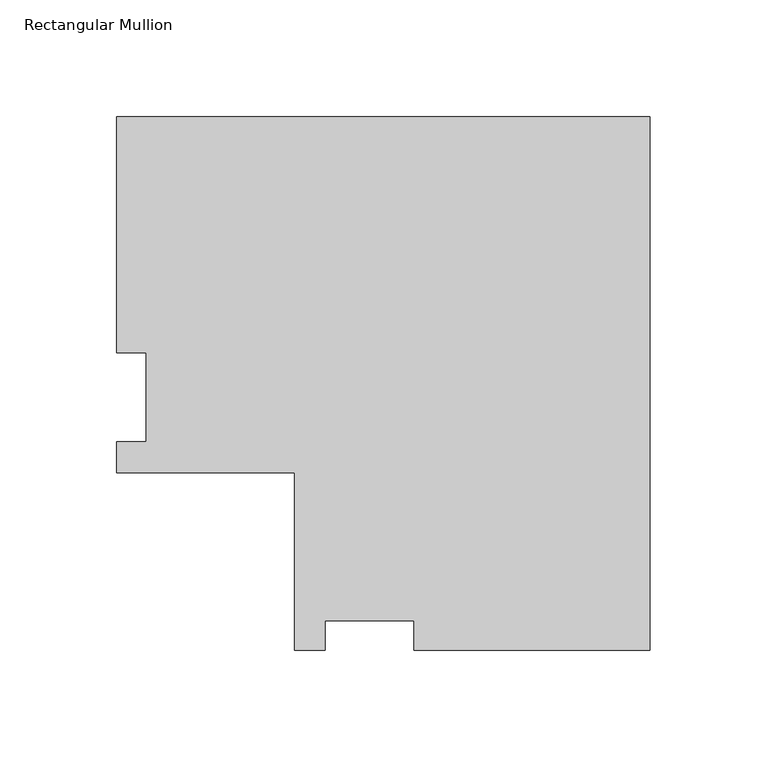
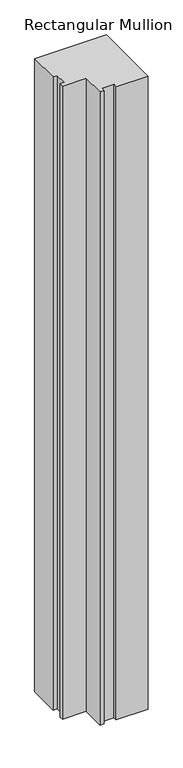
"""IFC4 building model written with IfcOpenShell, lengths in millimetres: member geometry, Rectangular Mullion."""

from ifc_helpers import new_model, si_unit, frame, origin, place, context, project, spatial, polyline, outline, extrude, source, transform, mapped, element, save


def rectangular_mullion_54f7981c(model_context):
    return source(origin(), model_context, "Body", "SweptSolid", [
        extrude(outline(polyline([(-228.6853182, 152.4988119), (0.0, 152.4988119), (0.0, -76.1865063), (-101.2027182, -76.1865063), (-101.2027182, -63.4865063), (-139.3027182, -63.4865063), (-139.3027182, -76.1865063), (-152.4853182, -76.1865063), (-152.4853182, 0.0134937), (-228.6853182, 0.0134937), (-228.6853182, 13.1960937), (-215.9853182, 13.1960937), (-215.9853182, 51.2960937), (-228.6853182, 51.2960937), (-228.6853182, 152.4988119)])), frame((0.0, 0.0, -2133.6), z_axis=(0.0, 0.0, 1.0), x_axis=(1.0, 0.0, 0.0)), (0.0, 0.0, 1.0), 2133.6),
    ])


if __name__ == "__main__":
    model = new_model("IFC4")
    model_context = context("Model", 3, world=origin())
    ifc_project = project(units=[si_unit("LENGTHUNIT", "METRE", prefix="MILLI")], contexts=[model_context])
    site = spatial("IfcSite", under=ifc_project)
    building = spatial("IfcBuilding", under=site)
    placement = place(None, origin())
    rectangular_mullion_shape = rectangular_mullion_54f7981c(model_context)
    element("IfcMember", 1, ObjectType="Rectangular Mullion", at=placement, inside=building, context=model_context, shape_type="MappedRepresentation", body=[
        mapped(rectangular_mullion_shape, transform((0.0, 0.0, 0.0), x_axis=(1.0, 0.0, 0.0), y_axis=(0.0, 1.0, 0.0), z_axis=(0.0, 0.0, 1.0))),
    ])
    save(model, "model.ifc")
